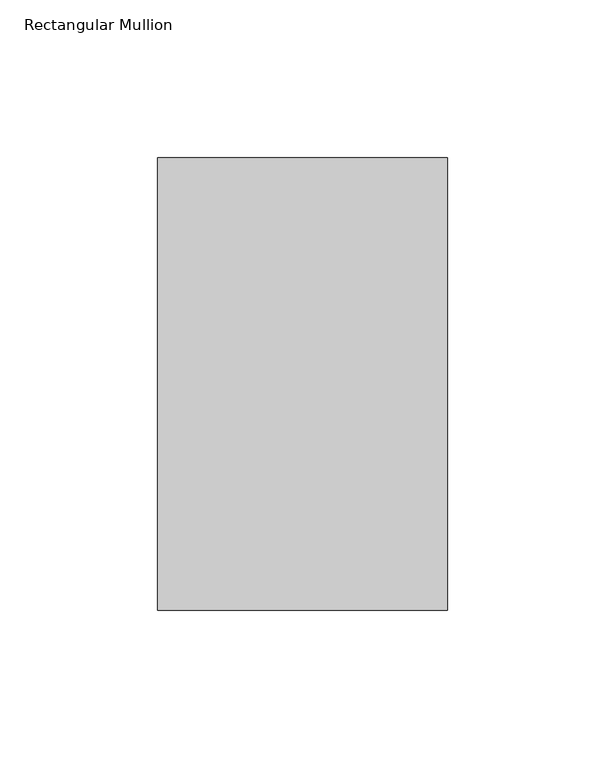
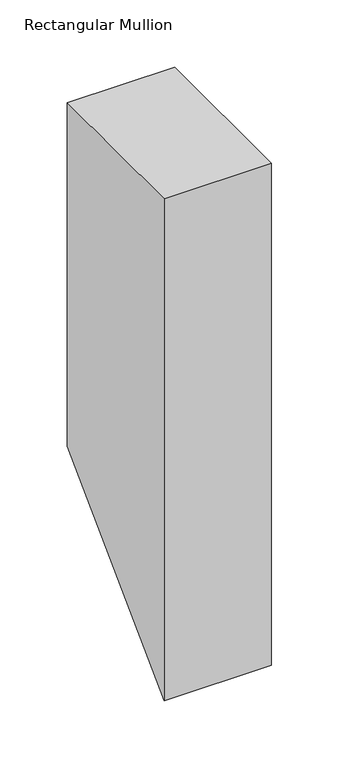
"""IFC4 building model written with IfcOpenShell, lengths in millimetres: member geometry, Rectangular Mullion."""

import ifcopenshell
import ifcopenshell.guid

model = None  # the IFC model being written
_history = None  # IfcOwnerHistory: only IFC2X3 demands one
_inside = {}  # id of a spatial element -> (the spatial element, [elements in it])
_under = {}  # id of a project, library or spatial element -> (it, [spatial elements below it])
_declared = {}  # id of a project -> (the project, [libraries it declares])
_typed = {}  # id of a type object -> (the type object, [elements of that type])
_made_of = {}  # id of a material, layer set ... -> (it, [elements and type objects made of it])


def new_model(schema):
    """Start an empty IFC model of exactly this schema.

    Asked for "IFC4X3", IfcOpenShell would pick the latest addendum, in which some entities
    have other attributes; the version numbers below select the first issue.
    IFC2X3 requires an IfcOwnerHistory on every rooted entity: one is made here for all.
    """
    global model, _history
    if schema == "IFC4X3":
        model = ifcopenshell.file(schema_version=(4, 3, 0, 0))
    else:
        model = ifcopenshell.file(schema=schema)
    _inside.clear()
    _under.clear()
    _declared.clear()
    _typed.clear()
    _made_of.clear()
    _history = None
    if model.schema == "IFC2X3":
        org = make("IfcOrganization", Name="unknown")
        user = make(
            "IfcPersonAndOrganization",
            ThePerson=make("IfcPerson", FamilyName="unknown"),
            TheOrganization=org,
        )
        app = make(
            "IfcApplication",
            ApplicationDeveloper=org,
            Version="unknown",
            ApplicationFullName="unknown",
            ApplicationIdentifier="unknown",
        )
        _history = make(
            "IfcOwnerHistory",
            OwningUser=user,
            OwningApplication=app,
            ChangeAction="ADDED",
            CreationDate=0,
        )
    return model


def make(cls, **values):
    """One entity of the class cls with the attributes given. An attribute that is None is left unset."""
    return model.create_entity(
        cls, **{name: value for name, value in values.items() if value is not None}
    )


def rooted(cls, **values):
    """An entity with a GlobalId (a new one), such as an element, a storey or a relation."""
    return make(cls, GlobalId=ifcopenshell.guid.new(), OwnerHistory=_history, **values)


def si_unit(unit_type, name, prefix=None):
    """IfcSIUnit, for example si_unit("LENGTHUNIT", "METRE", prefix="MILLI")."""
    return make("IfcSIUnit", UnitType=unit_type, Prefix=prefix, Name=name)


def assignment(units):
    """IfcUnitAssignment: the units of a project."""
    return None if units is None else make("IfcUnitAssignment", Units=units)


def point(xyz):
    """IfcCartesianPoint."""
    return None if xyz is None else make("IfcCartesianPoint", Coordinates=xyz)


def direction(xyz):
    """IfcDirection."""
    return None if xyz is None else make("IfcDirection", DirectionRatios=xyz)


def frame(location, z_axis=None, x_axis=None):
    """IfcAxis2Placement3D, a coordinate frame: its origin and axes. An axis left out is left unset."""
    return make(
        "IfcAxis2Placement3D",
        Location=point(location),
        Axis=direction(z_axis),
        RefDirection=direction(x_axis),
    )


def origin():
    """The frame at (0, 0, 0) with its axes left unset."""
    return frame((0.0, 0.0, 0.0))


def place(relative_to, where):
    """IfcLocalPlacement: puts the frame where relative to a parent placement (None: the world)."""
    return make(
        "IfcLocalPlacement", PlacementRelTo=relative_to, RelativePlacement=where
    )


def context(
    kind, dimensions, precision=None, world=None, true_north=None, identifier=None
):
    """IfcGeometricRepresentationContext, for example the 3D "Model" context."""
    return make(
        "IfcGeometricRepresentationContext",
        ContextIdentifier=identifier,
        ContextType=kind,
        CoordinateSpaceDimension=dimensions,
        Precision=precision,
        WorldCoordinateSystem=world,
        TrueNorth=true_north,
    )


def project(units=None, contexts=None):
    """IfcProject with its units and contexts."""
    return rooted(
        "IfcProject",
        Name="project",
        RepresentationContexts=contexts,
        UnitsInContext=assignment(units),
    )


def spatial(cls, under=None, at=None, **own):
    """A site, building, storey or space (cls), placed at a placement, below another one or the project."""
    s = rooted(cls, ObjectPlacement=at, **own)
    if under is not None:
        _under.setdefault(under.id(), (under, []))[1].append(s)
    return s


def polyline(points):
    """IfcPolyline through the points."""
    return make("IfcPolyline", Points=[point(p) for p in points])


def outline(outer, holes=None, kind="AREA"):
    """IfcArbitraryClosedProfileDef: a profile drawn as a closed curve; with holes, ...WithVoids."""
    if holes is None:
        return make("IfcArbitraryClosedProfileDef", ProfileType=kind, OuterCurve=outer)
    return make(
        "IfcArbitraryProfileDefWithVoids",
        ProfileType=kind,
        OuterCurve=outer,
        InnerCurves=holes,
    )


def extrude(swept, where, along, depth):
    """IfcExtrudedAreaSolid: the profile swept, set in the frame where, extruded along a direction by depth."""
    return make(
        "IfcExtrudedAreaSolid",
        SweptArea=swept,
        Position=where,
        ExtrudedDirection=direction(along),
        Depth=depth,
    )


def shape(context_of_items, identifier, shape_type, items):
    """IfcShapeRepresentation: the items that make up one representation, for example the "Body"."""
    return make(
        "IfcShapeRepresentation",
        ContextOfItems=context_of_items,
        RepresentationIdentifier=identifier,
        RepresentationType=shape_type,
        Items=items,
    )


def source(mapping_origin, context_of_items, identifier, shape_type, items):
    """IfcRepresentationMap: a shape defined once, which mapped items show again and again."""
    return make(
        "IfcRepresentationMap",
        MappingOrigin=mapping_origin,
        MappedRepresentation=shape(context_of_items, identifier, shape_type, items),
    )


def transform(
    local_origin,
    x_axis=None,
    y_axis=None,
    z_axis=None,
    scale=None,
    scale2=None,
    scale3=None,
    uniform=True,
):
    """IfcCartesianTransformationOperator3D, or its non-uniform kind. x_axis, y_axis, z_axis: its Axis1, 2, 3."""
    if uniform:
        return make(
            "IfcCartesianTransformationOperator3D",
            Axis1=direction(x_axis),
            Axis2=direction(y_axis),
            LocalOrigin=point(local_origin),
            Scale=scale,
            Axis3=direction(z_axis),
        )
    return make(
        "IfcCartesianTransformationOperator3DnonUniform",
        Axis1=direction(x_axis),
        Axis2=direction(y_axis),
        LocalOrigin=point(local_origin),
        Scale=scale,
        Axis3=direction(z_axis),
        Scale2=scale2,
        Scale3=scale3,
    )


def mapped(mapping_source, mapping_target):
    """IfcMappedItem: shows the shape of a source again, moved by a transform."""
    return make(
        "IfcMappedItem", MappingSource=mapping_source, MappingTarget=mapping_target
    )


def made_of(thing, what):
    """Note that an element or type object is made of a material, layer set ...; save() writes the relation."""
    if what is not None:
        _made_of.setdefault(what.id(), (what, []))[1].append(thing)
    return thing


def element(
    cls,
    number,
    at=None,
    inside=None,
    cuts=None,
    type_object=None,
    material=None,
    context=None,
    identifier="Body",
    shape_type=None,
    held_by="IfcProductDefinitionShape",
    body=None,
    shapes=None,
    **own,
):
    """One element of the class cls, such as IfcWall. Its Tag is "e" and its number.

    at: its placement. inside: the storey or other place that contains it. cuts: it is an
    opening in that element (IfcRelVoidsElement). A single representation is given by context,
    identifier, shape_type and body (its items); several are given by shapes. held_by: the class
    of the entity that holds the representations. save() writes the other relations.
    """
    e = rooted(cls, Tag="e%d" % number, ObjectPlacement=at, **own)
    if body is not None:
        shapes = [shape(context, identifier, shape_type, body)]
    if shapes is not None:
        e.Representation = make(held_by, Representations=shapes)
    if inside is not None:
        _inside.setdefault(inside.id(), (inside, []))[1].append(e)
    if cuts is not None:
        rooted(
            "IfcRelVoidsElement", RelatingBuildingElement=cuts, RelatedOpeningElement=e
        )
    if type_object is not None:
        _typed.setdefault(type_object.id(), (type_object, []))[1].append(e)
    return made_of(e, material)


def aggregate(whole, parts):
    """IfcRelAggregates: a whole, such as a stair, and the parts it consists of."""
    return rooted("IfcRelAggregates", RelatingObject=whole, RelatedObjects=parts)


def save(model, path):
    """Write the relations noted so far, then the file.

    IfcRelAggregates (storeys below a building ...), IfcRelContainedInSpatialStructure (elements
    in a storey), IfcRelDefinesByType, IfcRelAssociatesMaterial and IfcRelDeclares: one each for
    every whole, place, type object, material and project.
    """
    for whole, parts in _under.values():
        aggregate(whole, parts)
    for where, things in _inside.values():
        rooted(
            "IfcRelContainedInSpatialStructure",
            RelatedElements=things,
            RelatingStructure=where,
        )
    for kind, things in _typed.values():
        rooted("IfcRelDefinesByType", RelatedObjects=things, RelatingType=kind)
    for what, things in _made_of.values():
        rooted("IfcRelAssociatesMaterial", RelatedObjects=things, RelatingMaterial=what)
    for by, libraries in _declared.values():
        rooted("IfcRelDeclares", RelatingContext=by, RelatedDefinitions=libraries)
    model.write(path)


def rectangular_mullion_b0236a77(model_context):
    return source(origin(), model_context, "Body", "SweptSolid", [
        extrude(outline(polyline([(46.7447302, 0.0), (190.4071312, 0.0), (190.4071312, -311.242869), (46.7447302, -454.90527), (46.7447302, 0.0)])), frame((-92.0877, 0.0, 0.0), z_axis=(1.0, 0.0, 0.0), x_axis=(0.0, 1.0, 0.0)), (0.0, 0.0, 1.0), 92.0877),
    ])


if __name__ == "__main__":
    model = new_model("IFC4")
    model_context = context("Model", 3, world=origin())
    ifc_project = project(units=[si_unit("LENGTHUNIT", "METRE", prefix="MILLI")], contexts=[model_context])
    site = spatial("IfcSite", under=ifc_project)
    building = spatial("IfcBuilding", under=site)
    placement = place(None, origin())
    rectangular_mullion_shape = rectangular_mullion_b0236a77(model_context)
    element("IfcMember", 1, ObjectType="Rectangular Mullion", at=placement, inside=building, context=model_context, shape_type="MappedRepresentation", body=[
        mapped(rectangular_mullion_shape, transform((0.0, 0.0, 0.0), x_axis=(1.0, 0.0, 0.0), y_axis=(0.0, 1.0, 0.0), z_axis=(0.0, 0.0, 1.0))),
    ])
    save(model, "model.ifc")
